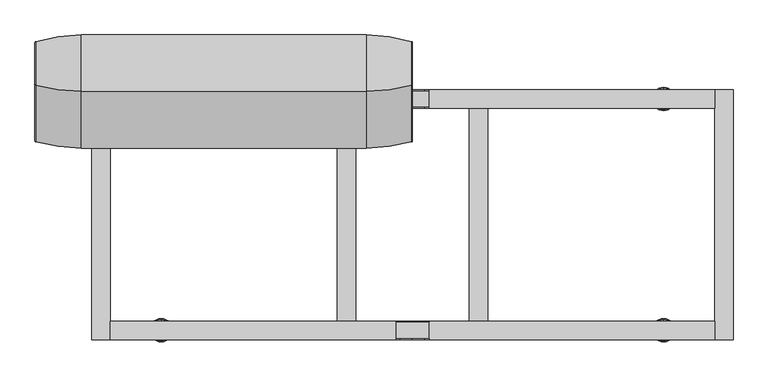
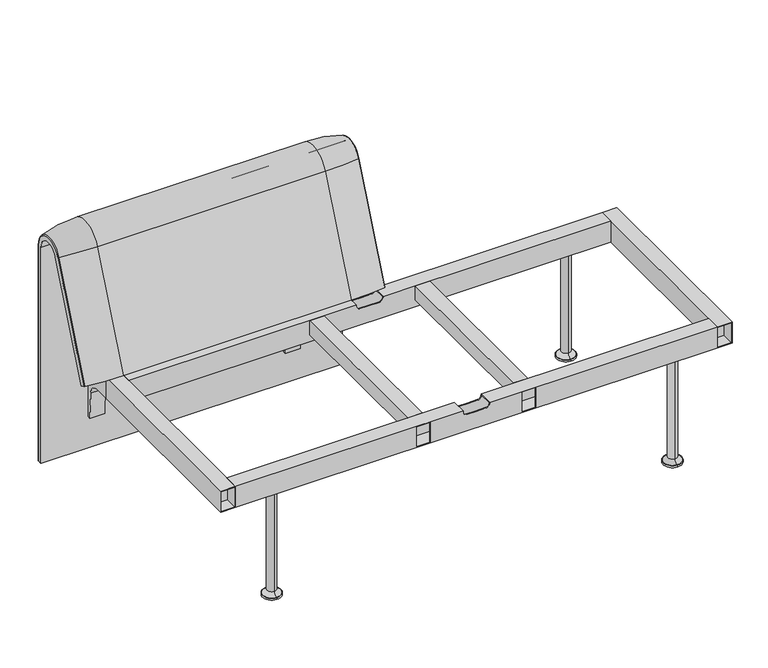
"""IFC4 building model written with IfcOpenShell, lengths in millimetres: furniture geometry."""

from ifc_helpers import new_model, si_unit, point, frame, frame_2d, origin, place, context, project, spatial, polyline, circle_curve, ellipse_curve, trimmed, segment, composite_curve, outline, extrude, source, transform, mapped, element, save
from ifc_brep_helpers import plane_surface, cylinder_surface, revolved_surface, advanced_brep


def furniture_55e477a2(model_context):
    return source(origin(), model_context, "Body", "SolidModel", [
        extrude(outline(composite_curve([segment(trimmed(circle_curve(frame_2d((305.0000061, 379.9223263)), 30.0), [point((305.0000061, 349.9223263))], [point((335.0000061, 379.9223263))], True, "CARTESIAN"), True, "CONTINUOUS"), segment(polyline([(335.0000061, 379.9223263), (335.0000061, 515.0657595)]), True, "CONTINUOUS"), segment(trimmed(circle_curve(frame_2d((305.0000061, 515.0657595)), 30.0), [point((335.0000061, 515.0657595))], [point((316.7219399, 542.6809051))], True, "CARTESIAN"), True, "CONTINUOUS"), segment(polyline([(316.7219399, 542.6809051), (257.4911714, 567.8228747)]), True, "CONTINUOUS"), segment(trimmed(circle_curve(frame_2d((251.6302045, 554.0153019)), 15.0), [point((257.4911714, 567.8228747))], [point((238.0355877, 560.3545758))], True, "CARTESIAN"), True, "CONTINUOUS"), segment(polyline([(238.0355877, 560.3545758), (222.2725218, 526.5505721), (213.7507451, 529.5682915), (296.3054528, 724.0549949)]), True, "CONTINUOUS"), segment(trimmed(circle_curve(frame_2d((322.520748, 712.9272623)), 28.479258), [point((296.3054528, 724.0549949))], [point((351.0000061, 712.9272623))], False, "CARTESIAN"), True, "CONTINUOUS"), segment(polyline([(351.0000061, 712.9272623), (351.0000061, 197.0551771), (343.3075759, 197.0551771), (339.4064861, 271.492405)]), True, "CONTINUOUS"), segment(trimmed(circle_curve(frame_2d((309.4476, 269.9223263)), 30.0), [point((339.4064861, 271.492405))], [point((309.4476, 299.9223263))], True, "CARTESIAN"), True, "CONTINUOUS"), segment(polyline([(309.4476, 299.9223263), (270.0000061, 299.9223263), (270.0000061, 359.9223263), (275.0000061, 359.9223263)]), True, "CONTINUOUS"), segment(trimmed(circle_curve(frame_2d((285.0000061, 359.9223263)), 10.0), [point((275.0000061, 359.9223263))], [point((285.0000061, 349.9223263))], True, "CARTESIAN"), True, "CONTINUOUS"), segment(polyline([(285.0000061, 349.9223263), (305.0000061, 349.9223263)]), True, "CONTINUOUS")], self_intersect=False), holes=[composite_curve([segment(polyline([(337.5000061, 576.3274105), (337.5000061, 716.7072663)]), True, "CONTINUOUS"), segment(trimmed(circle_curve(frame_2d((322.5000061, 716.7072663)), 15.0), [point((337.5000061, 716.7072663))], [point((308.9053893, 723.0465402))], True, "CARTESIAN"), True, "CONTINUOUS"), segment(polyline([(308.9053893, 723.0465402), (253.6256191, 604.4986904)]), True, "CONTINUOUS"), segment(trimmed(circle_curve(frame_2d((271.7517748, 596.0463251)), 20.0), [point((253.6256191, 604.4986904))], [point((265.0756376, 577.1934953))], True, "CARTESIAN"), True, "CONTINUOUS"), segment(polyline([(265.0756376, 577.1934953), (314.1406626, 559.8186587)]), True, "CONTINUOUS"), segment(trimmed(circle_curve(frame_2d((319.9867182, 576.3274105)), 17.5132879), [point((314.1406626, 559.8186587))], [point((337.5000061, 576.3274105))], True, "CARTESIAN"), True, "CONTINUOUS")], self_intersect=False)]), frame((-162.9958276, 0.0, 0.0), z_axis=(1.0, 0.0, 0.0), x_axis=(0.0, 1.0, 0.0)), (0.0, 0.0, 1.0), 40.0),
        advanced_brep(
        [(-99.9834559, 388.2902376, 100.5089435), (-2.1220844, 373.93893, 100.5089435), (0.0165441, 371.0652495, 100.5089435), (0.0165441, 359.7858817, 100.5089435), (-815.997793, 359.7858817, 100.5089435), (-815.997793, 371.0652495, 100.5089435), (-813.8591645, 373.93893, 100.5089435), (-715.997793, 388.2902376, 100.5089435), (-715.997793, 388.2902376, 720.3417731), (-99.9834559, 388.2902376, 720.3417731), (-2.1220844, 373.93893, 720.3417731), (0.0165441, 371.0652495, 720.3417731), (0.0165441, 282.0164812, 738.0210907), (0.0165441, 159.7723383, 442.2908598), (0.0165441, 170.1962447, 437.9819952), (0.0165441, 292.4403877, 733.7122262), (0.0165441, 359.7858817, 720.3417731), (-815.997793, 359.7858817, 720.3417731), (-99.9834559, 143.8537454, 448.8710282), (-715.997793, 143.8537454, 448.8710282), (-813.8591645, 157.1166065, 443.3886429), (-815.997793, 159.7723383, 442.2908598), (-815.997793, 170.1962447, 437.9819952), (-2.1220844, 157.1166065, 443.3886429), (-99.9834559, 266.0978884, 744.6012592), (-715.997793, 266.0978884, 744.6012592), (-2.1220844, 279.3607494, 739.1188739), (-815.997793, 292.4403877, 733.7122262), (-815.997793, 282.0164812, 738.0210907), (-815.997793, 371.0652495, 720.3417731), (-813.8591645, 373.93893, 720.3417731), (-813.8591645, 279.3607494, 739.1188739)],
        [
            (0, 1, circle_curve(frame((-99.9834559, 47.4569043, 100.5089435), z_axis=(0.0, 0.0, -1.0), x_axis=(0.0, -1.0, 0.0)), 340.8333333)),
            (1, 2, circle_curve(frame((-2.9834559, 371.0652495, 100.5089435), z_axis=(0.0, 0.0, -1.0), x_axis=(1.0, 0.0, 0.0)), 3.0)),
            (2, 3),
            (3, 4),
            (4, 5),
            (5, 6, circle_curve(frame((-812.997793, 371.0652495, 100.5089435), z_axis=(0.0, 0.0, -1.0), x_axis=(-1.0, 0.0, 0.0)), 3.0)),
            (6, 7, circle_curve(frame((-715.997793, 47.4569043, 100.5089435), z_axis=(0.0, 0.0, -1.0), x_axis=(0.0, -1.0, 0.0)), 340.8333333)),
            (7, 0),
            (7, 8),
            (8, 9),
            (9, 0),
            (9, 10, circle_curve(frame((-99.9834559, 47.4569043, 720.3417731), z_axis=(0.0, 0.0, -1.0), x_axis=(0.0, -1.0, 0.0)), 340.8333333)),
            (10, 1),
            (10, 11, circle_curve(frame((-2.9834559, 371.0652495, 720.3417731), z_axis=(0.0, 0.0, -1.0), x_axis=(1.0, 0.0, 0.0)), 3.0)),
            (11, 2),
            (11, 12, circle_curve(frame((0.0165441, 324.7858817, 720.3417731), z_axis=(1.0, 0.0, 0.0), x_axis=(0.0, 1.0, 0.0)), 46.2793679)),
            (12, 13),
            (13, 14),
            (14, 15),
            (15, 16, circle_curve(frame((0.0165441, 324.7858817, 720.3417731), z_axis=(-1.0, 0.0, 0.0), x_axis=(0.0, 1.0, 0.0)), 35.0)),
            (16, 3),
            (16, 17),
            (17, 4),
            (18, 19),
            (19, 20, circle_curve(frame((-715.997793, 458.8372467, 318.6682822), z_axis=(0.0, -0.38201294675155345, -0.9241569717933176), x_axis=(0.0, 0.9241569717933176, -0.38201294675155345)), 340.8333333)),
            (20, 21, circle_curve(frame((-812.997793, 159.7723383, 442.2908598), z_axis=(0.0, -0.38201294675155345, -0.9241569717933176), x_axis=(-1.0, 0.0, 0.0)), 3.0)),
            (21, 22),
            (22, 14),
            (13, 23, circle_curve(frame((-2.9834559, 159.7723383, 442.2908598), z_axis=(0.0, -0.38201294675155345, -0.9241569717933176), x_axis=(1.0, 0.0, 0.0)), 3.0)),
            (23, 18, circle_curve(frame((-99.9834559, 458.8372467, 318.6682822), z_axis=(0.0, -0.38201294675155345, -0.9241569717933176), x_axis=(0.0, 0.9241569717933176, -0.38201294675155345)), 340.8333333)),
            (24, 9, circle_curve(frame((-99.9834559, 324.7858817, 720.3417731), z_axis=(-1.0, 0.0, 0.0), x_axis=(0.0, 1.0, 0.0)), 63.5043559)),
            (8, 25, circle_curve(frame((-715.997793, 324.7858817, 720.3417731), z_axis=(1.0, 0.0, 0.0), x_axis=(0.0, 1.0, 0.0)), 63.5043559)),
            (25, 24),
            (26, 10, circle_curve(frame((-2.1220844, 324.7858817, 720.3417731), z_axis=(-1.0, 0.0, 0.0), x_axis=(0.0, 1.0, 0.0)), 49.1530483)),
            (24, 26, circle_curve(frame((-99.9834559, 581.0813896, 614.3985132), z_axis=(0.0, 0.382012946751556, 0.9241569717933165), x_axis=(0.0, 0.9241569717933165, -0.382012946751556)), 340.8333333)),
            (26, 12, circle_curve(frame((-2.9834559, 282.0164812, 738.0210907), z_axis=(0.0, 0.3820129467515552, 0.9241569717933168), x_axis=(1.0, 0.0, 0.0)), 3.0)),
            (27, 17, circle_curve(frame((-815.997793, 324.7858817, 720.3417731), z_axis=(-1.0, 0.0, 0.0), x_axis=(0.0, 1.0, 0.0)), 35.0)),
            (15, 27),
            (25, 19),
            (18, 24),
            (23, 26),
            (22, 27),
            (21, 28),
            (28, 29, circle_curve(frame((-815.997793, 324.7858817, 720.3417731), z_axis=(-1.0, 0.0, 0.0), x_axis=(0.0, 1.0, 0.0)), 46.2793679)),
            (29, 5),
            (29, 30, circle_curve(frame((-812.997793, 371.0652495, 720.3417731), z_axis=(0.0, 0.0, -1.0), x_axis=(-1.0, 0.0, 0.0)), 3.0)),
            (30, 6),
            (30, 8, circle_curve(frame((-715.997793, 47.4569043, 720.3417731), z_axis=(0.0, 0.0, -1.0), x_axis=(0.0, -1.0, 0.0)), 340.8333333)),
            (31, 30, circle_curve(frame((-813.8591645, 324.7858817, 720.3417731), z_axis=(-1.0, 0.0, 0.0), x_axis=(0.0, 1.0, 0.0)), 49.1530483)),
            (28, 31, circle_curve(frame((-812.997793, 282.0164812, 738.0210907), z_axis=(0.0, 0.3820129467515544, 0.9241569717933172), x_axis=(-1.0, 0.0, 0.0)), 3.0)),
            (31, 25, circle_curve(frame((-715.997793, 581.0813896, 614.3985132), z_axis=(0.0, 0.3820129467515532, 0.9241569717933177), x_axis=(0.0, 0.9241569717933177, -0.3820129467515532)), 340.8333333)),
            (20, 31),
        ],
        [
            plane_surface(frame((-403.2256012, 359.7858817, 100.5089435), z_axis=(0.0, 0.0, -1.0), x_axis=(1.0, 0.0, 0.0))),
            plane_surface(frame((-715.997793, 388.2902376, 100.5089435), z_axis=(0.0, 1.0, 0.0), x_axis=(0.0, 0.0, 1.0))),
            cylinder_surface(frame((-99.9834559, 47.4569043, 100.5089435), z_axis=(0.0, 0.0, -1.0), x_axis=(0.0, -1.0, 0.0)), 340.8333333),
            cylinder_surface(frame((-2.9834559, 371.0652495, 100.5089435), z_axis=(0.0, 0.0, -1.0), x_axis=(1.0, 0.0, 0.0)), 3.0),
            plane_surface(frame((0.0165441, 371.0652495, 100.5089435), z_axis=(1.0, 0.0, 0.0), x_axis=(0.0, 0.0, 1.0))),
            plane_surface(frame((0.0165441, 359.7858817, 100.5089435), z_axis=(0.0, -1.0, 0.0), x_axis=(0.0, 0.0, 1.0))),
            plane_surface(frame((-403.2256012, 170.1962447, 437.9819952), z_axis=(0.0, -0.38201294675155345, -0.9241569717933176), x_axis=(1.0, 0.0, 0.0))),
            cylinder_surface(frame((-403.2256012, 324.7858817, 720.3417731), z_axis=(1.0, 0.0, 0.0), x_axis=(0.0, 1.0, 0.0)), 63.5043559),
            revolved_surface(trimmed(ellipse_curve(frame((-99.9834559, 47.4569043, 720.3417731), z_axis=(0.0, 0.0, -1.0), x_axis=(0.0, -1.0, 0.0)), 340.8333333, 340.8333333), [point((-99.9834559, 388.2902376, 720.3417731))], [point((-2.1220844, 373.93893, 720.3417731))], True, "CARTESIAN"), (-403.2256012, 324.7858817, 720.3417731), (1.0, 0.0, 0.0)),
            revolved_surface(trimmed(ellipse_curve(frame((-2.9834559, 371.0652495, 720.3417731), z_axis=(0.0, 0.0, -1.0), x_axis=(1.0, 0.0, 0.0)), 3.0, 3.0), [point((-2.1220844, 373.93893, 720.3417731))], [point((0.0165441, 371.0652495, 720.3417731))], True, "CARTESIAN"), (-403.2256012, 324.7858817, 720.3417731), (1.0, 0.0, 0.0)),
            revolved_surface(polyline([(0.01654409999997597, 359.7858817, 720.3417731), (-815.997793, 359.7858817, 720.3417731)]), (-403.2256012, 324.7858817, 720.3417731), (1.0, 0.0, 0.0)),
            plane_surface(frame((-715.997793, 266.0978884, 744.6012592), z_axis=(0.0, -0.9241569717933176, 0.38201294675155356), x_axis=(0.0, -0.38201294675155356, -0.9241569717933176))),
            cylinder_surface(frame((-99.9834559, 581.0813896, 614.3985132), z_axis=(0.0, 0.38201294675155345, 0.9241569717933176), x_axis=(0.0, 0.9241569717933176, -0.38201294675155345)), 340.8333333),
            cylinder_surface(frame((-2.9834559, 282.0164812, 738.0210907), z_axis=(0.0, 0.38201294675155345, 0.9241569717933176), x_axis=(1.0, 0.0, 0.0)), 3.0),
            plane_surface(frame((0.0165441, 292.4403877, 733.7122262), z_axis=(0.0, 0.9241569717933176, -0.38201294675155356), x_axis=(0.0, -0.38201294675155356, -0.9241569717933176))),
            plane_surface(frame((-815.997793, 359.7858817, 100.5089435), z_axis=(-1.0, 0.0, 0.0), x_axis=(0.0, 0.0, 1.0))),
            cylinder_surface(frame((-812.997793, 371.0652495, 100.5089435), z_axis=(0.0, 0.0, -1.0), x_axis=(-1.0, 0.0, 0.0)), 3.0),
            cylinder_surface(frame((-715.997793, 47.4569043, 100.5089435), z_axis=(0.0, 0.0, -1.0), x_axis=(0.0, -1.0, 0.0)), 340.8333333),
            revolved_surface(trimmed(ellipse_curve(frame((-812.997793, 371.0652495, 720.3417731), z_axis=(0.0, 0.0, -1.0), x_axis=(-1.0, 0.0, 0.0)), 3.0, 3.0), [point((-815.997793, 371.0652495, 720.3417731))], [point((-813.8591645, 373.93893, 720.3417731))], True, "CARTESIAN"), (-403.2256012, 324.7858817, 720.3417731), (1.0, 0.0, 0.0)),
            revolved_surface(trimmed(ellipse_curve(frame((-715.997793, 47.4569043, 720.3417731), z_axis=(0.0, 0.0, -1.0), x_axis=(0.0, -1.0, 0.0)), 340.8333333, 340.8333333), [point((-813.8591645, 373.93893, 720.3417731))], [point((-715.997793, 388.2902376, 720.3417731))], True, "CARTESIAN"), (-403.2256012, 324.7858817, 720.3417731), (1.0, 0.0, 0.0)),
            cylinder_surface(frame((-812.997793, 282.0164812, 738.0210907), z_axis=(0.0, 0.38201294675155345, 0.9241569717933176), x_axis=(-1.0, 0.0, 0.0)), 3.0),
            cylinder_surface(frame((-715.997793, 581.0813896, 614.3985132), z_axis=(0.0, 0.38201294675155345, 0.9241569717933176), x_axis=(0.0, 0.9241569717933176, -0.38201294675155345)), 340.8333333),
        ],
        [
            (0, [[1, 2, 3, 4, 5, 6, 7, 8]]),
            (1, [[-8, 9, 10, 11]]),
            (2, [[-1, -11, 12, 13]]),
            (3, [[-2, -13, 14, 15]]),
            (4, [[-3, -15, 16, 17, 18, 19, 20, 21]]),
            (5, [[-4, -21, 22, 23]]),
            (6, [[24, 25, 26, 27, 28, -18, 29, 30]]),
            (7, [[31, -10, 32, 33]]),
            (8, [[34, -12, -31, 35]]),
            (9, [[-16, -14, -34, 36]]),
            (10, [[37, -22, -20, 38]]),
            (11, [[-33, 39, -24, 40]]),
            (12, [[-35, -40, -30, 41]]),
            (13, [[-36, -41, -29, -17]]),
            (14, [[-38, -19, -28, 42]]),
            (15, [[-5, -23, -37, -42, -27, 43, 44, 45]]),
            (16, [[-6, -45, 46, 47]]),
            (17, [[-7, -47, 48, -9]]),
            (18, [[49, -46, -44, 50]]),
            (19, [[-32, -48, -49, 51]]),
            (20, [[-50, -43, -26, 52]]),
            (21, [[-51, -52, -25, -39]]),
        ],
    ),
        extrude(outline(composite_curve([segment(trimmed(circle_curve(frame_2d((305.0000061, 379.9223263)), 30.0), [point((305.0000061, 349.9223263))], [point((335.0000061, 379.9223263))], True, "CARTESIAN"), True, "CONTINUOUS"), segment(polyline([(335.0000061, 379.9223263), (335.0000061, 515.0657595)]), True, "CONTINUOUS"), segment(trimmed(circle_curve(frame_2d((305.0000061, 515.0657595)), 30.0), [point((335.0000061, 515.0657595))], [point((316.7219399, 542.6809051))], True, "CARTESIAN"), True, "CONTINUOUS"), segment(polyline([(316.7219399, 542.6809051), (257.4911714, 567.8228747)]), True, "CONTINUOUS"), segment(trimmed(circle_curve(frame_2d((251.6302045, 554.0153019)), 15.0), [point((257.4911714, 567.8228747))], [point((238.0355877, 560.3545758))], True, "CARTESIAN"), True, "CONTINUOUS"), segment(polyline([(238.0355877, 560.3545758), (222.2725218, 526.5505721), (213.7507451, 529.5682915), (296.3054528, 724.0549949)]), True, "CONTINUOUS"), segment(trimmed(circle_curve(frame_2d((322.520748, 712.9272623)), 28.479258), [point((296.3054528, 724.0549949))], [point((351.0000061, 712.9272623))], False, "CARTESIAN"), True, "CONTINUOUS"), segment(polyline([(351.0000061, 712.9272623), (351.0000061, 197.0551771), (343.3075759, 197.0551771), (339.4064861, 271.492405)]), True, "CONTINUOUS"), segment(trimmed(circle_curve(frame_2d((309.4476, 269.9223263)), 30.0), [point((339.4064861, 271.492405))], [point((309.4476, 299.9223263))], True, "CARTESIAN"), True, "CONTINUOUS"), segment(polyline([(309.4476, 299.9223263), (270.0000061, 299.9223263), (270.0000061, 359.9223263), (275.0000061, 359.9223263)]), True, "CONTINUOUS"), segment(trimmed(circle_curve(frame_2d((285.0000061, 359.9223263)), 10.0), [point((275.0000061, 359.9223263))], [point((285.0000061, 349.9223263))], True, "CARTESIAN"), True, "CONTINUOUS"), segment(polyline([(285.0000061, 349.9223263), (305.0000061, 349.9223263)]), True, "CONTINUOUS")], self_intersect=False), holes=[composite_curve([segment(polyline([(337.5000061, 576.3274105), (337.5000061, 716.7072663)]), True, "CONTINUOUS"), segment(trimmed(circle_curve(frame_2d((322.5000061, 716.7072663)), 15.0), [point((337.5000061, 716.7072663))], [point((308.9053893, 723.0465402))], True, "CARTESIAN"), True, "CONTINUOUS"), segment(polyline([(308.9053893, 723.0465402), (253.6256191, 604.4986904)]), True, "CONTINUOUS"), segment(trimmed(circle_curve(frame_2d((271.7517748, 596.0463251)), 20.0), [point((253.6256191, 604.4986904))], [point((265.0756376, 577.1934953))], True, "CARTESIAN"), True, "CONTINUOUS"), segment(polyline([(265.0756376, 577.1934953), (314.1406626, 559.8186587)]), True, "CONTINUOUS"), segment(trimmed(circle_curve(frame_2d((319.9867182, 576.3274105)), 17.5132879), [point((314.1406626, 559.8186587))], [point((337.5000061, 576.3274105))], True, "CARTESIAN"), True, "CONTINUOUS")], self_intersect=False)]), frame((-692.9854212, 0.0, 0.0), z_axis=(1.0, 0.0, 0.0), x_axis=(0.0, 1.0, 0.0)), (0.0, 0.0, 1.0), 40.0),
        extrude(outline(polyline([(654.9772215, 236.0000008), (690.9659032, 236.0000008), (690.9659032, 232.0000015), (654.9772215, 232.0000015), (654.9772215, 236.0000008)])), frame((0.0, 0.0, 301.9086098), z_axis=(0.0, 0.0, 1.0), x_axis=(1.0, 0.0, 0.0)), (0.0, 0.0, 1.0), 56.013824),
        extrude(outline(polyline([(654.9772215, -236.0000008), (654.9772215, -232.0000015), (690.9659032, -232.0000015), (690.9659032, -236.0000008), (654.9772215, -236.0000008)])), frame((0.0, 0.0, 301.9086098), z_axis=(0.0, 0.0, 1.0), x_axis=(1.0, 0.0, 0.0)), (0.0, 0.0, 1.0), 56.013824),
        extrude(outline(polyline([(-654.9772215, -236.0000008), (-690.9659032, -236.0000008), (-690.9659032, -232.0000015), (-654.9772215, -232.0000015), (-654.9772215, -236.0000008)])), frame((0.0, 0.0, 301.9086098), z_axis=(0.0, 0.0, 1.0), x_axis=(1.0, 0.0, 0.0)), (0.0, 0.0, 1.0), 56.013824),
        extrude(outline(polyline([(-654.9772215, 236.0000008), (-654.9772215, 232.0000015), (-690.9659032, 232.0000015), (-690.9659032, 236.0000008), (-654.9772215, 236.0000008)])), frame((0.0, 0.0, 301.9086098), z_axis=(0.0, 0.0, 1.0), x_axis=(1.0, 0.0, 0.0)), (0.0, 0.0, 1.0), 56.013824),
        advanced_brep(
        [(0.0, -230.0000056, 346.6346058), (0.0, -232.0000018, 346.6346058), (25.9966488, -232.0000018, 346.6346058), (25.9966488, -230.0000056, 346.6346058), (0.0, -268.0000023, 346.6346058), (0.0, -270.0000061, 346.6346058), (25.9966488, -270.0000061, 346.6346058), (25.9966488, -268.0000023, 346.6346058), (35.9966488, -232.0000018, 356.6346058), (35.9966488, -230.0000056, 356.6346058), (35.9966488, -270.0000061, 356.6346058), (35.9966488, -268.0000023, 356.6346058), (35.9966488, -232.0000018, 357.9224338), (35.9966488, -268.0000023, 357.9224338), (35.9966488, -270.0000061, 359.922434), (35.9966488, -230.0000056, 359.922434), (-35.9966488, -232.0000018, 356.6346058), (-35.9966488, -230.0000056, 356.6346058), (-35.9966488, -230.0000056, 359.922434), (-35.9966488, -270.0000061, 359.922434), (-35.9966488, -270.0000061, 356.6346058), (-35.9966488, -268.0000023, 356.6346058), (-35.9966488, -268.0000023, 357.9224338), (-35.9966488, -232.0000018, 357.9224338), (-25.9966488, -230.0000056, 346.6346058), (-25.9966488, -232.0000018, 346.6346058), (-25.9966488, -268.0000023, 346.6346058), (-25.9966488, -270.0000061, 346.6346058), (652.9916052, -230.0000056, 359.922434), (652.9916052, -270.0000061, 359.922434), (652.9916052, -270.0000061, 299.9223263), (652.9916052, -230.0000056, 299.9223263), (652.9916052, -268.0000023, 301.9086098), (652.9916052, -268.0000023, 357.9224338), (652.9916052, -232.0000018, 357.9224338), (652.9916052, -232.0000018, 301.9086098), (-652.9916052, -230.0000056, 359.922434), (-652.9916052, -230.0000056, 299.9223263), (-652.9916052, -270.0000061, 299.9223263), (-652.9916052, -270.0000061, 359.922434), (-652.9916052, -268.0000023, 301.9086098), (-652.9916052, -232.0000018, 301.9086098), (-652.9916052, -232.0000018, 357.9224338), (-652.9916052, -268.0000023, 357.9224338), (124.9814439, -270.0000061, 357.9224338), (160.9701256, -270.0000061, 357.9224338), (160.9701256, -270.0000061, 301.9086098), (124.9814439, -270.0000061, 301.9086098), (-160.9701256, -270.0000061, 357.9224338), (-124.9814439, -270.0000061, 357.9224338), (-124.9814439, -270.0000061, 301.9086098), (-160.9701256, -270.0000061, 301.9086098), (-160.9701256, -268.0000023, 301.9086098), (-124.9814439, -268.0000023, 301.9086098), (124.9814439, -268.0000023, 301.9086098), (160.9701256, -268.0000023, 301.9086098), (160.9701256, -268.0000023, 357.9224338), (124.9814439, -268.0000023, 357.9224338), (-124.9814439, -268.0000023, 357.9224338), (-160.9701256, -268.0000023, 357.9224338)],
        [
            (0, 1),
            (1, 2),
            (2, 3),
            (3, 0),
            (4, 5),
            (5, 6),
            (6, 7),
            (7, 4),
            (2, 8, circle_curve(frame((25.9966488, -232.0000018, 356.6346058), z_axis=(0.0, -1.0, 0.0), x_axis=(-1.0, 0.0, 0.0)), 10.0)),
            (8, 9),
            (9, 3, circle_curve(frame((25.9966488, -230.0000056, 356.6346058), z_axis=(0.0, 1.0, 0.0), x_axis=(-1.0, 0.0, 0.0)), 10.0)),
            (6, 10, circle_curve(frame((25.9966488, -270.0000061, 356.6346058), z_axis=(0.0, -1.0, 0.0), x_axis=(-1.0, 0.0, 0.0)), 10.0)),
            (10, 11),
            (11, 7, circle_curve(frame((25.9966488, -268.0000023, 356.6346058), z_axis=(0.0, 1.0, 0.0), x_axis=(-1.0, 0.0, 0.0)), 10.0)),
            (8, 12),
            (12, 13),
            (13, 11),
            (10, 14),
            (14, 15),
            (15, 9),
            (16, 17),
            (17, 18),
            (18, 19),
            (19, 20),
            (20, 21),
            (21, 22),
            (22, 23),
            (23, 16),
            (0, 24),
            (24, 25),
            (25, 1),
            (4, 26),
            (26, 27),
            (27, 5),
            (28, 29),
            (29, 30),
            (30, 31),
            (31, 28),
            (32, 33),
            (33, 34),
            (34, 35),
            (35, 32),
            (36, 37),
            (37, 38),
            (38, 39),
            (39, 36),
            (40, 41),
            (41, 42),
            (42, 43),
            (43, 40),
            (31, 37),
            (36, 18),
            (17, 24, circle_curve(frame((-25.9966488, -230.0000056, 356.6346058), z_axis=(0.0, -1.0, 0.0), x_axis=(1.0, 0.0, 0.0)), 10.0)),
            (15, 28),
            (30, 38),
            (29, 14),
            (27, 20, circle_curve(frame((-25.9966488, -270.0000061, 356.6346058), z_axis=(0.0, 1.0, 0.0), x_axis=(1.0, 0.0, 0.0)), 10.0)),
            (19, 39),
            (44, 45),
            (45, 46),
            (46, 47),
            (47, 44),
            (48, 49),
            (49, 50),
            (50, 51),
            (51, 48),
            (35, 41),
            (40, 52),
            (52, 51),
            (50, 53),
            (53, 54),
            (54, 47),
            (46, 55),
            (55, 32),
            (34, 12),
            (25, 16, circle_curve(frame((-25.9966488, -232.0000018, 356.6346058), z_axis=(0.0, 1.0, 0.0), x_axis=(1.0, 0.0, 0.0)), 10.0)),
            (23, 42),
            (33, 56),
            (56, 45),
            (44, 57),
            (57, 13),
            (22, 58),
            (58, 49),
            (48, 59),
            (59, 43),
            (55, 56),
            (59, 52),
            (57, 54),
            (53, 58),
            (21, 26, circle_curve(frame((-25.9966488, -268.0000023, 356.6346058), z_axis=(0.0, -1.0, 0.0), x_axis=(1.0, 0.0, 0.0)), 10.0)),
        ],
        [
            plane_surface(frame((0.0, -287.5262628, 346.6346058), z_axis=(0.0, 0.0, 1.0), x_axis=(0.0, 1.0, 0.0))),
            revolved_surface(polyline([(15.9966488, -232.0000018, 356.6346058), (15.9966488, -230.00000560000007, 356.6346058)]), (25.9966488, 314.3107458, 356.6346058), (0.0, -1.0, 0.0)),
            revolved_surface(polyline([(15.9966488, -270.0000061, 356.6346058), (15.9966488, -268.00000229999995, 356.6346058)]), (25.9966488, 314.3107458, 356.6346058), (0.0, -1.0, 0.0)),
            plane_surface(frame((35.9966488, -287.5262628, 356.6346058), z_axis=(-1.0, 0.0, 0.0), x_axis=(0.0, 1.0, 0.0))),
            plane_surface(frame((-35.9966488, -287.5262628, 378.869628), z_axis=(1.0, 0.0, 0.0), x_axis=(0.0, 1.0, 0.0))),
            plane_surface(frame((-25.9966488, -287.5262628, 346.6346058), z_axis=(0.0, 0.0, 1.0), x_axis=(0.0, 1.0, 0.0))),
            plane_surface(frame((652.9916052, -270.0000061, 359.922434), z_axis=(1.0, 0.0, 0.0), x_axis=(0.0, -1.0, 0.0))),
            plane_surface(frame((-652.9916052, -270.0000061, 359.922434), z_axis=(-1.0, 0.0, 0.0), x_axis=(0.0, 1.0, 0.0))),
            plane_surface(frame((652.9916052, -230.0000056, 299.9223263), z_axis=(0.0, 1.0, 0.0), x_axis=(-1.0, 0.0, 0.0))),
            plane_surface(frame((652.9916052, -270.0000061, 299.9223263), z_axis=(0.0, 0.0, -1.0), x_axis=(-1.0, 0.0, 0.0))),
            plane_surface(frame((652.9916052, -270.0000061, 359.922434), z_axis=(0.0, -1.0, 0.0), x_axis=(-1.0, 0.0, 0.0))),
            plane_surface(frame((652.9916052, -230.0000056, 359.922434), z_axis=(0.0, 0.0, 1.0), x_axis=(-1.0, 0.0, 0.0))),
            plane_surface(frame((652.9916052, -232.0000018, 301.9086098), z_axis=(0.0, 0.0, 1.0), x_axis=(-1.0, 0.0, 0.0))),
            plane_surface(frame((652.9916052, -232.0000018, 357.9224338), z_axis=(0.0, -1.0, 0.0), x_axis=(-1.0, 0.0, 0.0))),
            plane_surface(frame((652.9916052, -268.0000023, 357.9224338), z_axis=(0.0, 0.0, -1.0), x_axis=(-1.0, 0.0, 0.0))),
            plane_surface(frame((652.9916052, -268.0000023, 301.9086098), z_axis=(0.0, 1.0, 0.0), x_axis=(-1.0, 0.0, 0.0))),
            plane_surface(frame((160.9701256, -282.4008656, 301.9086098), z_axis=(-1.0, 0.0, 0.0), x_axis=(0.0, 1.0, 0.0))),
            plane_surface(frame((124.9814439, -282.4008656, 357.9224338), z_axis=(1.0, 0.0, 0.0), x_axis=(0.0, 1.0, 0.0))),
            plane_surface(frame((-160.9701256, -282.4008656, 357.9224338), z_axis=(1.0, 0.0, 0.0), x_axis=(0.0, 1.0, 0.0))),
            plane_surface(frame((-124.9814439, -282.4008656, 301.9086098), z_axis=(-1.0, 0.0, 0.0), x_axis=(0.0, 1.0, 0.0))),
            revolved_surface(polyline([(-15.9966488, -232.0000018, 356.6346058), (-15.9966488, -230.00000560000007, 356.6346058)]), (-25.9966488, 314.3107458, 356.6346058), (0.0, -1.0, 0.0)),
            revolved_surface(polyline([(-15.9966488, -270.0000061, 356.6346058), (-15.9966488, -268.00000229999995, 356.6346058)]), (-25.9966488, 314.3107458, 356.6346058), (0.0, -1.0, 0.0)),
        ],
        [
            (0, [[1, 2, 3, 4]]),
            (0, [[5, 6, 7, 8]]),
            (1, [[-3, 9, 10, 11]]),
            (2, [[-7, 12, 13, 14]]),
            (3, [[-10, 15, 16, 17, -13, 18, 19, 20]]),
            (4, [[21, 22, 23, 24, 25, 26, 27, 28]]),
            (5, [[-1, 29, 30, 31]]),
            (5, [[-5, 32, 33, 34]]),
            (6, [[35, 36, 37, 38], [39, 40, 41, 42]]),
            (7, [[43, 44, 45, 46], [47, 48, 49, 50]]),
            (8, [[-38, 51, -43, 52, -22, 53, -29, -4, -11, -20, 54]]),
            (9, [[-37, 55, -44, -51]]),
            (10, [[-36, 56, -18, -12, -6, -34, 57, -24, 58, -45, -55], [59, 60, 61, 62], [63, 64, 65, 66]]),
            (11, [[-35, -54, -19, -56]]),
            (11, [[-46, -58, -23, -52]]),
            (12, [[-42, 67, -47, 68, 69, -65, 70, 71, 72, -61, 73, 74]]),
            (13, [[-41, 75, -15, -9, -2, -31, 76, -28, 77, -48, -67]]),
            (14, [[-40, 78, 79, -59, 80, 81, -16, -75]]),
            (14, [[-49, -77, -27, 82, 83, -63, 84, 85]]),
            (15, [[-39, -74, 86, -78]]),
            (15, [[-50, -85, 87, -68]]),
            (15, [[-8, -14, -17, -81, 88, -71, 89, -82, -26, 90, -32]]),
            (16, [[-79, -86, -73, -60]]),
            (17, [[-72, -88, -80, -62]]),
            (18, [[-84, -66, -69, -87]]),
            (19, [[-83, -89, -70, -64]]),
            (20, [[-30, -53, -21, -76]]),
            (21, [[-33, -90, -25, -57]]),
        ],
    ),
        advanced_brep(
        [(652.9916052, 230.0000056, 359.922434), (652.9916052, 230.0000056, 299.9223263), (652.9916052, 270.0000061, 299.9223263), (652.9916052, 270.0000061, 359.922434), (652.9916052, 268.0000023, 301.9086098), (652.9916052, 232.0000018, 301.9086098), (652.9916052, 232.0000018, 357.9224338), (652.9916052, 268.0000023, 357.9224338), (-652.9916052, 230.0000056, 359.922434), (-652.9916052, 270.0000061, 359.922434), (-652.9916052, 270.0000061, 299.9223263), (-652.9916052, 230.0000056, 299.9223263), (-652.9916052, 268.0000023, 301.9086098), (-652.9916052, 268.0000023, 357.9224338), (-652.9916052, 232.0000018, 357.9224338), (-652.9916052, 232.0000018, 301.9086098), (35.9966488, 230.0000056, 359.922434), (35.9966488, 230.0000056, 356.6346058), (25.9966488, 230.0000056, 346.6346058), (0.0, 230.0000056, 346.6346058), (-25.9966488, 230.0000056, 346.6346058), (-35.9966488, 230.0000056, 356.6346058), (-35.9966488, 230.0000056, 359.922434), (-35.9966488, 270.0000061, 359.922434), (-35.9966488, 270.0000061, 356.6346058), (-25.9966488, 270.0000061, 346.6346058), (0.0, 270.0000061, 346.6346058), (25.9966488, 270.0000061, 346.6346058), (35.9966488, 270.0000061, 356.6346058), (35.9966488, 270.0000061, 359.922434), (-124.9814439, 270.0000061, 357.9224338), (-160.9701256, 270.0000061, 357.9224338), (-160.9701256, 270.0000061, 301.9086098), (-124.9814439, 270.0000061, 301.9086098), (160.9701256, 270.0000061, 357.9224338), (124.9814439, 270.0000061, 357.9224338), (124.9814439, 270.0000061, 301.9086098), (160.9701256, 270.0000061, 301.9086098), (0.0, 232.0000018, 346.6346058), (25.9966488, 232.0000018, 346.6346058), (0.0, 268.0000023, 346.6346058), (25.9966488, 268.0000023, 346.6346058), (35.9966488, 232.0000018, 356.6346058), (35.9966488, 268.0000023, 356.6346058), (35.9966488, 268.0000023, 357.9224338), (35.9966488, 232.0000018, 357.9224338), (-35.9966488, 232.0000018, 356.6346058), (-35.9966488, 232.0000018, 357.9224338), (-35.9966488, 268.0000023, 357.9224338), (-35.9966488, 268.0000023, 356.6346058), (-25.9966488, 232.0000018, 346.6346058), (-25.9966488, 268.0000023, 346.6346058), (160.9701256, 268.0000023, 301.9086098), (124.9814439, 268.0000023, 301.9086098), (-124.9814439, 268.0000023, 301.9086098), (-160.9701256, 268.0000023, 301.9086098), (124.9814439, 268.0000023, 357.9224338), (160.9701256, 268.0000023, 357.9224338), (-160.9701256, 268.0000023, 357.9224338), (-124.9814439, 268.0000023, 357.9224338)],
        [
            (0, 1),
            (1, 2),
            (2, 3),
            (3, 0),
            (4, 5),
            (5, 6),
            (6, 7),
            (7, 4),
            (8, 9),
            (9, 10),
            (10, 11),
            (11, 8),
            (12, 13),
            (13, 14),
            (14, 15),
            (15, 12),
            (0, 16),
            (16, 17),
            (17, 18, circle_curve(frame((25.9966488, 230.0000056, 356.6346058), z_axis=(0.0, 1.0, 0.0), x_axis=(-1.0, 0.0, 0.0)), 10.0)),
            (18, 19),
            (19, 20),
            (20, 21, circle_curve(frame((-25.9966488, 230.0000056, 356.6346058), z_axis=(0.0, 1.0, 0.0), x_axis=(1.0, 0.0, 0.0)), 10.0)),
            (21, 22),
            (22, 8),
            (11, 1),
            (10, 2),
            (9, 23),
            (23, 24),
            (24, 25, circle_curve(frame((-25.9966488, 270.0000061, 356.6346058), z_axis=(0.0, -1.0, 0.0), x_axis=(1.0, 0.0, 0.0)), 10.0)),
            (25, 26),
            (26, 27),
            (27, 28, circle_curve(frame((25.9966488, 270.0000061, 356.6346058), z_axis=(0.0, -1.0, 0.0), x_axis=(-1.0, 0.0, 0.0)), 10.0)),
            (28, 29),
            (29, 3),
            (30, 31),
            (31, 32),
            (32, 33),
            (33, 30),
            (34, 35),
            (35, 36),
            (36, 37),
            (37, 34),
            (29, 16),
            (22, 23),
            (38, 19),
            (18, 39),
            (39, 38),
            (26, 40),
            (40, 41),
            (41, 27),
            (17, 42),
            (42, 39, circle_curve(frame((25.9966488, 232.0000018, 356.6346058), z_axis=(0.0, 1.0, 0.0), x_axis=(-1.0, 0.0, 0.0)), 10.0)),
            (41, 43, circle_curve(frame((25.9966488, 268.0000023, 356.6346058), z_axis=(0.0, -1.0, 0.0), x_axis=(-1.0, 0.0, 0.0)), 10.0)),
            (43, 28),
            (43, 44),
            (44, 45),
            (45, 42),
            (21, 46),
            (46, 47),
            (47, 48),
            (48, 49),
            (49, 24),
            (38, 50),
            (50, 20),
            (25, 51),
            (51, 40),
            (4, 52),
            (52, 37),
            (36, 53),
            (53, 54),
            (54, 33),
            (32, 55),
            (55, 12),
            (15, 5),
            (14, 47),
            (46, 50, circle_curve(frame((-25.9966488, 232.0000018, 356.6346058), z_axis=(0.0, -1.0, 0.0), x_axis=(1.0, 0.0, 0.0)), 10.0)),
            (45, 6),
            (44, 56),
            (56, 35),
            (34, 57),
            (57, 7),
            (13, 58),
            (58, 31),
            (30, 59),
            (59, 48),
            (57, 52),
            (55, 58),
            (51, 49, circle_curve(frame((-25.9966488, 268.0000023, 356.6346058), z_axis=(0.0, 1.0, 0.0), x_axis=(1.0, 0.0, 0.0)), 10.0)),
            (59, 54),
            (53, 56),
        ],
        [
            plane_surface(frame((652.9916052, 230.0000056, 319.6891771), z_axis=(1.0, 0.0, 0.0), x_axis=(0.0, 0.0, -1.0))),
            plane_surface(frame((-652.9916052, 230.0000056, 319.6891771), z_axis=(-1.0, 0.0, 0.0), x_axis=(0.0, 0.0, 1.0))),
            plane_surface(frame((652.9916052, 230.0000056, 359.922434), z_axis=(0.0, -1.0, 0.0), x_axis=(-1.0, 0.0, 0.0))),
            plane_surface(frame((652.9916052, 230.0000056, 299.9223263), z_axis=(0.0, 0.0, -1.0), x_axis=(-1.0, 0.0, 0.0))),
            plane_surface(frame((652.9916052, 270.0000061, 299.9223263), z_axis=(0.0, 1.0, 0.0), x_axis=(-1.0, 0.0, 0.0))),
            plane_surface(frame((652.9916052, 270.0000061, 359.922434), z_axis=(0.0, 0.0, 1.0), x_axis=(-1.0, 0.0, 0.0))),
            plane_surface(frame((0.0, -287.5262628, 346.6346058), z_axis=(0.0, 0.0, 1.0), x_axis=(0.0, 1.0, 0.0))),
            revolved_surface(polyline([(15.9966488, 230.0000056, 356.6346058), (15.9966488, 232.0000018, 356.6346058)]), (25.9966488, 314.3107458, 356.6346058), (0.0, -1.0, 0.0)),
            revolved_surface(polyline([(15.9966488, 268.0000023, 356.6346058), (15.9966488, 270.0000061, 356.6346058)]), (25.9966488, 314.3107458, 356.6346058), (0.0, -1.0, 0.0)),
            plane_surface(frame((35.9966488, -287.5262628, 356.6346058), z_axis=(-1.0, 0.0, 0.0), x_axis=(0.0, 1.0, 0.0))),
            plane_surface(frame((-35.9966488, -287.5262628, 378.869628), z_axis=(1.0, 0.0, 0.0), x_axis=(0.0, 1.0, 0.0))),
            plane_surface(frame((-25.9966488, -287.5262628, 346.6346058), z_axis=(0.0, 0.0, 1.0), x_axis=(0.0, 1.0, 0.0))),
            plane_surface(frame((652.9916052, 268.0000023, 301.9086098), z_axis=(0.0, 0.0, 1.0), x_axis=(-1.0, 0.0, 0.0))),
            plane_surface(frame((652.9916052, 232.0000018, 301.9086098), z_axis=(0.0, 1.0, 0.0), x_axis=(-1.0, 0.0, 0.0))),
            plane_surface(frame((652.9916052, 232.0000018, 357.9224338), z_axis=(0.0, 0.0, -1.0), x_axis=(-1.0, 0.0, 0.0))),
            plane_surface(frame((652.9916052, 268.0000023, 357.9224338), z_axis=(0.0, -1.0, 0.0), x_axis=(-1.0, 0.0, 0.0))),
            plane_surface(frame((-160.9701256, 282.4008656, 301.9086098), z_axis=(1.0, 0.0, 0.0), x_axis=(0.0, -1.0, 0.0))),
            plane_surface(frame((-124.9814439, 282.4008656, 357.9224338), z_axis=(-1.0, 0.0, 0.0), x_axis=(0.0, -1.0, 0.0))),
            plane_surface(frame((160.9701256, 282.4008656, 357.9224338), z_axis=(-1.0, 0.0, 0.0), x_axis=(0.0, -1.0, 0.0))),
            plane_surface(frame((124.9814439, 282.4008656, 301.9086098), z_axis=(1.0, 0.0, 0.0), x_axis=(0.0, -1.0, 0.0))),
            revolved_surface(polyline([(-15.9966488, 230.0000056, 356.6346058), (-15.9966488, 232.0000018, 356.6346058)]), (-25.9966488, 314.3107458, 356.6346058), (0.0, -1.0, 0.0)),
            revolved_surface(polyline([(-15.9966488, 268.0000023, 356.6346058), (-15.9966488, 270.0000061, 356.6346058)]), (-25.9966488, 314.3107458, 356.6346058), (0.0, -1.0, 0.0)),
        ],
        [
            (0, [[1, 2, 3, 4], [5, 6, 7, 8]]),
            (1, [[9, 10, 11, 12], [13, 14, 15, 16]]),
            (2, [[-1, 17, 18, 19, 20, 21, 22, 23, 24, -12, 25]]),
            (3, [[-2, -25, -11, 26]]),
            (4, [[-3, -26, -10, 27, 28, 29, 30, 31, 32, 33, 34], [35, 36, 37, 38], [39, 40, 41, 42]]),
            (5, [[-4, -34, 43, -17]]),
            (5, [[-9, -24, 44, -27]]),
            (6, [[45, -20, 46, 47]]),
            (6, [[48, 49, 50, -31]]),
            (7, [[-46, -19, 51, 52]]),
            (8, [[-50, 53, 54, -32]]),
            (9, [[-51, -18, -43, -33, -54, 55, 56, 57]]),
            (10, [[58, 59, 60, 61, 62, -28, -44, -23]]),
            (11, [[-45, 63, 64, -21]]),
            (11, [[-48, -30, 65, 66]]),
            (12, [[-5, 67, 68, -41, 69, 70, 71, -37, 72, 73, -16, 74]]),
            (13, [[-6, -74, -15, 75, -59, 76, -63, -47, -52, -57, 77]]),
            (14, [[-7, -77, -56, 78, 79, -39, 80, 81]]),
            (14, [[-14, 82, 83, -35, 84, 85, -60, -75]]),
            (15, [[-8, -81, 86, -67]]),
            (15, [[-13, -73, 87, -82]]),
            (15, [[-49, -66, 88, -61, -85, 89, -70, 90, -78, -55, -53]]),
            (16, [[-83, -87, -72, -36]]),
            (17, [[-71, -89, -84, -38]]),
            (18, [[-80, -42, -68, -86]]),
            (19, [[-79, -90, -69, -40]]),
            (20, [[-64, -76, -58, -22]]),
            (21, [[-65, -29, -62, -88]]),
        ],
    ),
        extrude(outline(polyline([(359.922434, 652.9916052), (299.9223263, 652.9916052), (299.9223263, 692.9854212), (359.922434, 692.9854212), (359.922434, 652.9916052)]), holes=[polyline([(301.9086098, 690.9659032), (301.9086098, 654.9772215), (357.9224338, 654.9772215), (357.9224338, 690.9659032), (301.9086098, 690.9659032)])]), frame((0.0, -269.9999939, 0.0), z_axis=(0.0, 1.0, 0.0), x_axis=(0.0, 0.0, 1.0)), (0.0, 0.0, 1.0), 540.0),
        extrude(outline(polyline([(359.922434, 122.9958276), (319.6891771, 122.9958276), (319.6891771, 162.9896436), (359.922434, 162.9896436), (359.922434, 122.9958276)]), holes=[polyline([(321.6754606, 160.9701256), (321.6754606, 124.9814439), (357.9224338, 124.9814439), (357.9224338, 160.9701256), (321.6754606, 160.9701256)])]), frame((0.0, -229.9999925, 0.0), z_axis=(0.0, 1.0, 0.0), x_axis=(0.0, 0.0, 1.0)), (0.0, 0.0, 1.0), 459.9999981),
        extrude(outline(polyline([(359.922434, -122.9958276), (359.922434, -162.9896436), (319.6891771, -162.9896436), (319.6891771, -122.9958276), (359.922434, -122.9958276)]), holes=[polyline([(321.6754606, -160.9701256), (357.9224338, -160.9701256), (357.9224338, -124.9814439), (321.6754606, -124.9814439), (321.6754606, -160.9701256)])]), frame((0.0, -229.9999925, 0.0), z_axis=(0.0, 1.0, 0.0), x_axis=(0.0, 0.0, 1.0)), (0.0, 0.0, 1.0), 459.9999981),
        extrude(outline(polyline([(359.922434, -652.9916052), (359.922434, -692.9854212), (299.9223263, -692.9854212), (299.9223263, -652.9916052), (359.922434, -652.9916052)]), holes=[polyline([(301.9086098, -690.9659032), (357.9224338, -690.9659032), (357.9224338, -654.9772215), (301.9086098, -654.9772215), (301.9086098, -690.9659032)])]), frame((0.0, -269.9999939, 0.0), z_axis=(0.0, 1.0, 0.0), x_axis=(0.0, 0.0, 1.0)), (0.0, 0.0, 1.0), 540.0),
        advanced_brep(
        [(542.9813638, 275.0000031, 0.0), (542.9813638, 225.0000031, 0.0), (542.9813638, 250.0000031, 0.0), (542.9813638, 250.0000031, 344.8637637), (542.9813638, 237.5284391, 344.8637637), (542.9813638, 262.4715672, 344.8637637), (542.9813638, 237.5284391, 16.2604994), (542.9813638, 262.4715672, 16.2604994), (542.9813638, 226.770535, 5.5025953), (542.9813638, 273.2294713, 5.5025953), (542.9813638, 225.0000031, 5.5025953), (542.9813638, 275.0000031, 5.5025953)],
        [
            (0, 1, circle_curve(frame((542.9813638, 250.0000031, 0.0), z_axis=(0.0, 0.0, -1.0), x_axis=(0.0, -1.0, 0.0)), 25.0)),
            (1, 2),
            (2, 0),
            (1, 0, circle_curve(frame((542.9813638, 250.0000031, 0.0), z_axis=(0.0, 0.0, -1.0), x_axis=(0.0, -1.0, 0.0)), 25.0)),
            (3, 4),
            (4, 5, circle_curve(frame((542.9813638, 250.0000031, 344.8637637), z_axis=(0.0, 0.0, 1.0), x_axis=(0.0, -1.0, 0.0)), 12.471564)),
            (5, 3),
            (5, 4, circle_curve(frame((542.9813638, 250.0000031, 344.8637637), z_axis=(0.0, 0.0, 1.0), x_axis=(0.0, -1.0, 0.0)), 12.471564)),
            (4, 6),
            (6, 7, circle_curve(frame((542.9813638, 250.0000031, 16.2604994), z_axis=(0.0, 0.0, 1.0), x_axis=(0.0, -1.0, 0.0)), 12.471564)),
            (7, 5),
            (7, 6, circle_curve(frame((542.9813638, 250.0000031, 16.2604994), z_axis=(0.0, 0.0, 1.0), x_axis=(0.0, -1.0, 0.0)), 12.471564)),
            (6, 8, circle_curve(frame((542.9813638, 226.770535, 16.2604994), z_axis=(-1.0, 0.0, 0.0), x_axis=(0.0, -1.0, 0.0)), 10.7579041)),
            (8, 9, circle_curve(frame((542.9813638, 250.0000031, 5.5025953), z_axis=(0.0, 0.0, 1.0), x_axis=(0.0, -1.0, 0.0)), 23.2294681)),
            (9, 7, circle_curve(frame((542.9813638, 273.2294713, 16.2604994), z_axis=(-1.0, 0.0, 0.0), x_axis=(0.0, 1.0, 0.0)), 10.7579041)),
            (9, 8, circle_curve(frame((542.9813638, 250.0000031, 5.5025953), z_axis=(0.0, 0.0, 1.0), x_axis=(0.0, -1.0, 0.0)), 23.2294681)),
            (8, 10),
            (10, 11, circle_curve(frame((542.9813638, 250.0000031, 5.5025953), z_axis=(0.0, 0.0, 1.0), x_axis=(0.0, -1.0, 0.0)), 25.0)),
            (11, 9),
            (11, 10, circle_curve(frame((542.9813638, 250.0000031, 5.5025953), z_axis=(0.0, 0.0, 1.0), x_axis=(0.0, -1.0, 0.0)), 25.0)),
            (10, 1),
            (0, 11),
        ],
        [
            plane_surface(frame((542.9813638, 250.0000031, 0.0), z_axis=(0.0, 0.0, -1.0), x_axis=(0.0, -1.0, 0.0))),
            plane_surface(frame((542.9813638, 250.0000031, 344.8637637), z_axis=(0.0, 0.0, 1.0), x_axis=(0.0, -1.0, 0.0))),
            cylinder_surface(frame((542.9813638, 250.0000031, 344.8637637), z_axis=(0.0, 0.0, 1.0), x_axis=(0.0, -1.0, 0.0)), 12.471564),
            revolved_surface(trimmed(ellipse_curve(frame((542.9813638, 226.770535, 16.2604994), z_axis=(1.0, 0.0, 0.0), x_axis=(0.0, -1.0, 0.0)), 10.7579041, 10.7579041), [point((542.9813638, 226.770535, 5.5025953))], [point((542.9813638, 237.5284391, 16.2604994))], True, "CARTESIAN"), (542.9813638, 250.0000031, 344.8637637), (0.0, 0.0, 1.0)),
            plane_surface(frame((542.9813638, 250.0000031, 5.5025953), z_axis=(0.0, 0.0, 1.0), x_axis=(0.0, -1.0, 0.0))),
            cylinder_surface(frame((542.9813638, 250.0000031, 344.8637637), z_axis=(0.0, 0.0, 1.0), x_axis=(0.0, -1.0, 0.0)), 25.0),
        ],
        [
            (0, [[1, 2, 3]]),
            (0, [[4, -3, -2]]),
            (1, [[5, 6, 7]]),
            (1, [[-7, 8, -5]]),
            (2, [[-6, 9, 10, 11]]),
            (2, [[-8, -11, 12, -9]]),
            (3, [[-10, 13, 14, 15]]),
            (3, [[-12, -15, 16, -13]]),
            (4, [[-14, 17, 18, 19]]),
            (4, [[-16, -19, 20, -17]]),
            (5, [[-18, 21, -1, 22]]),
            (5, [[-20, -22, -4, -21]]),
        ],
    ),
        advanced_brep(
        [(542.9813638, -250.0000031, 0.0), (542.9813638, -225.0000031, 0.0), (542.9813638, -275.0000031, 0.0), (542.9813638, -262.4715672, 344.8637637), (542.9813638, -237.5284391, 344.8637637), (542.9813638, -250.0000031, 344.8637637), (542.9813638, -262.4715672, 16.2604994), (542.9813638, -237.5284391, 16.2604994), (542.9813638, -273.2294713, 5.5025953), (542.9813638, -226.770535, 5.5025953), (542.9813638, -275.0000031, 5.5025953), (542.9813638, -225.0000031, 5.5025953)],
        [
            (0, 1),
            (1, 2, circle_curve(frame((542.9813638, -250.0000031, 0.0), z_axis=(0.0, 0.0, -1.0), x_axis=(0.0, 1.0, 0.0)), 25.0)),
            (2, 0),
            (2, 1, circle_curve(frame((542.9813638, -250.0000031, 0.0), z_axis=(0.0, 0.0, -1.0), x_axis=(0.0, 1.0, 0.0)), 25.0)),
            (3, 4, circle_curve(frame((542.9813638, -250.0000031, 344.8637637), z_axis=(0.0, 0.0, 1.0), x_axis=(0.0, 1.0, 0.0)), 12.471564)),
            (4, 5),
            (5, 3),
            (4, 3, circle_curve(frame((542.9813638, -250.0000031, 344.8637637), z_axis=(0.0, 0.0, 1.0), x_axis=(0.0, 1.0, 0.0)), 12.471564)),
            (6, 7, circle_curve(frame((542.9813638, -250.0000031, 16.2604994), z_axis=(0.0, 0.0, 1.0), x_axis=(0.0, 1.0, 0.0)), 12.471564)),
            (7, 4),
            (3, 6),
            (7, 6, circle_curve(frame((542.9813638, -250.0000031, 16.2604994), z_axis=(0.0, 0.0, 1.0), x_axis=(0.0, 1.0, 0.0)), 12.471564)),
            (8, 9, circle_curve(frame((542.9813638, -250.0000031, 5.5025953), z_axis=(0.0, 0.0, 1.0), x_axis=(0.0, 1.0, 0.0)), 23.2294681)),
            (9, 7, circle_curve(frame((542.9813638, -226.770535, 16.2604994), z_axis=(-1.0, 0.0, 0.0), x_axis=(0.0, 1.0, 0.0)), 10.7579041)),
            (6, 8, circle_curve(frame((542.9813638, -273.2294713, 16.2604994), z_axis=(-1.0, 0.0, 0.0), x_axis=(0.0, -1.0, 0.0)), 10.7579041)),
            (9, 8, circle_curve(frame((542.9813638, -250.0000031, 5.5025953), z_axis=(0.0, 0.0, 1.0), x_axis=(0.0, 1.0, 0.0)), 23.2294681)),
            (10, 11, circle_curve(frame((542.9813638, -250.0000031, 5.5025953), z_axis=(0.0, 0.0, 1.0), x_axis=(0.0, 1.0, 0.0)), 25.0)),
            (11, 9),
            (8, 10),
            (11, 10, circle_curve(frame((542.9813638, -250.0000031, 5.5025953), z_axis=(0.0, 0.0, 1.0), x_axis=(0.0, 1.0, 0.0)), 25.0)),
            (1, 11),
            (10, 2),
        ],
        [
            plane_surface(frame((542.9813638, -250.0000031, 0.0), z_axis=(0.0, 0.0, -1.0), x_axis=(0.0, 1.0, 0.0))),
            plane_surface(frame((542.9813638, -250.0000031, 344.8637637), z_axis=(0.0, 0.0, 1.0), x_axis=(0.0, 1.0, 0.0))),
            cylinder_surface(frame((542.9813638, -250.0000031, 344.8637637), z_axis=(0.0, 0.0, -1.0), x_axis=(0.0, 1.0, 0.0)), 12.471564),
            revolved_surface(trimmed(ellipse_curve(frame((542.9813638, -226.770535, 16.2604994), z_axis=(1.0, 0.0, 0.0), x_axis=(0.0, 1.0, 0.0)), 10.7579041, 10.7579041), [point((542.9813638, -237.5284391, 16.2604994))], [point((542.9813638, -226.770535, 5.5025953))], True, "CARTESIAN"), (542.9813638, -250.0000031, 344.8637637), (0.0, 0.0, -1.0)),
            plane_surface(frame((542.9813638, -250.0000031, 5.5025953), z_axis=(0.0, 0.0, 1.0), x_axis=(0.0, 1.0, 0.0))),
            cylinder_surface(frame((542.9813638, -250.0000031, 344.8637637), z_axis=(0.0, 0.0, -1.0), x_axis=(0.0, 1.0, 0.0)), 25.0),
        ],
        [
            (0, [[1, 2, 3]]),
            (0, [[-3, 4, -1]]),
            (1, [[5, 6, 7]]),
            (1, [[8, -7, -6]]),
            (2, [[9, 10, -5, 11]]),
            (2, [[12, -11, -8, -10]]),
            (3, [[13, 14, -9, 15]]),
            (3, [[16, -15, -12, -14]]),
            (4, [[17, 18, -13, 19]]),
            (4, [[20, -19, -16, -18]]),
            (5, [[-2, 21, -17, 22]]),
            (5, [[-4, -22, -20, -21]]),
        ],
    ),
        advanced_brep(
        [(-542.9813638, -275.0000031, 0.0), (-542.9813638, -225.0000031, 0.0), (-542.9813638, -250.0000031, 0.0), (-542.9813638, -250.0000031, 344.8637637), (-542.9813638, -237.5284391, 344.8637637), (-542.9813638, -262.4715672, 344.8637637), (-542.9813638, -237.5284391, 16.2604994), (-542.9813638, -262.4715672, 16.2604994), (-542.9813638, -226.770535, 5.5025953), (-542.9813638, -273.2294713, 5.5025953), (-542.9813638, -225.0000031, 5.5025953), (-542.9813638, -275.0000031, 5.5025953)],
        [
            (0, 1, circle_curve(frame((-542.9813638, -250.0000031, 0.0), z_axis=(0.0, 0.0, -1.0), x_axis=(0.0, 1.0, 0.0)), 25.0)),
            (1, 2),
            (2, 0),
            (1, 0, circle_curve(frame((-542.9813638, -250.0000031, 0.0), z_axis=(0.0, 0.0, -1.0), x_axis=(0.0, 1.0, 0.0)), 25.0)),
            (3, 4),
            (4, 5, circle_curve(frame((-542.9813638, -250.0000031, 344.8637637), z_axis=(0.0, 0.0, 1.0), x_axis=(0.0, 1.0, 0.0)), 12.471564)),
            (5, 3),
            (5, 4, circle_curve(frame((-542.9813638, -250.0000031, 344.8637637), z_axis=(0.0, 0.0, 1.0), x_axis=(0.0, 1.0, 0.0)), 12.471564)),
            (4, 6),
            (6, 7, circle_curve(frame((-542.9813638, -250.0000031, 16.2604994), z_axis=(0.0, 0.0, 1.0), x_axis=(0.0, 1.0, 0.0)), 12.471564)),
            (7, 5),
            (7, 6, circle_curve(frame((-542.9813638, -250.0000031, 16.2604994), z_axis=(0.0, 0.0, 1.0), x_axis=(0.0, 1.0, 0.0)), 12.471564)),
            (6, 8, circle_curve(frame((-542.9813638, -226.770535, 16.2604994), z_axis=(1.0, 0.0, 0.0), x_axis=(0.0, 1.0, 0.0)), 10.7579041)),
            (8, 9, circle_curve(frame((-542.9813638, -250.0000031, 5.5025953), z_axis=(0.0, 0.0, 1.0), x_axis=(0.0, 1.0, 0.0)), 23.2294681)),
            (9, 7, circle_curve(frame((-542.9813638, -273.2294713, 16.2604994), z_axis=(1.0, 0.0, 0.0), x_axis=(0.0, -1.0, 0.0)), 10.7579041)),
            (9, 8, circle_curve(frame((-542.9813638, -250.0000031, 5.5025953), z_axis=(0.0, 0.0, 1.0), x_axis=(0.0, 1.0, 0.0)), 23.2294681)),
            (8, 10),
            (10, 11, circle_curve(frame((-542.9813638, -250.0000031, 5.5025953), z_axis=(0.0, 0.0, 1.0), x_axis=(0.0, 1.0, 0.0)), 25.0)),
            (11, 9),
            (11, 10, circle_curve(frame((-542.9813638, -250.0000031, 5.5025953), z_axis=(0.0, 0.0, 1.0), x_axis=(0.0, 1.0, 0.0)), 25.0)),
            (10, 1),
            (0, 11),
        ],
        [
            plane_surface(frame((-542.9813638, -250.0000031, 0.0), z_axis=(0.0, 0.0, -1.0), x_axis=(0.0, 1.0, 0.0))),
            plane_surface(frame((-542.9813638, -250.0000031, 344.8637637), z_axis=(0.0, 0.0, 1.0), x_axis=(0.0, 1.0, 0.0))),
            cylinder_surface(frame((-542.9813638, -250.0000031, 344.8637637), z_axis=(0.0, 0.0, 1.0), x_axis=(0.0, 1.0, 0.0)), 12.471564),
            revolved_surface(trimmed(ellipse_curve(frame((-542.9813638, -226.770535, 16.2604994), z_axis=(-1.0, 0.0, 0.0), x_axis=(0.0, 1.0, 0.0)), 10.7579041, 10.7579041), [point((-542.9813638, -226.770535, 5.5025953))], [point((-542.9813638, -237.5284391, 16.2604994))], True, "CARTESIAN"), (-542.9813638, -250.0000031, 344.8637637), (0.0, 0.0, 1.0)),
            plane_surface(frame((-542.9813638, -250.0000031, 5.5025953), z_axis=(0.0, 0.0, 1.0), x_axis=(0.0, 1.0, 0.0))),
            cylinder_surface(frame((-542.9813638, -250.0000031, 344.8637637), z_axis=(0.0, 0.0, 1.0), x_axis=(0.0, 1.0, 0.0)), 25.0),
        ],
        [
            (0, [[1, 2, 3]]),
            (0, [[4, -3, -2]]),
            (1, [[5, 6, 7]]),
            (1, [[-7, 8, -5]]),
            (2, [[-6, 9, 10, 11]]),
            (2, [[-8, -11, 12, -9]]),
            (3, [[-10, 13, 14, 15]]),
            (3, [[-12, -15, 16, -13]]),
            (4, [[-14, 17, 18, 19]]),
            (4, [[-16, -19, 20, -17]]),
            (5, [[-18, 21, -1, 22]]),
            (5, [[-20, -22, -4, -21]]),
        ],
    ),
    ])


if __name__ == "__main__":
    model = new_model("IFC4")
    model_context = context("Model", 3, world=origin())
    ifc_project = project(units=[si_unit("LENGTHUNIT", "METRE", prefix="MILLI")], contexts=[model_context])
    site = spatial("IfcSite", under=ifc_project)
    building = spatial("IfcBuilding", under=site)
    placement = place(None, origin())
    furniture_shape = furniture_55e477a2(model_context)
    element("IfcFurniture", 1, at=placement, inside=building, context=model_context, shape_type="MappedRepresentation", body=[
        mapped(furniture_shape, transform((0.0, 0.0, 0.0), x_axis=(1.0, 0.0, 0.0), y_axis=(0.0, 1.0, 0.0), z_axis=(0.0, 0.0, 1.0))),
    ])
    save(model, "model.ifc")
